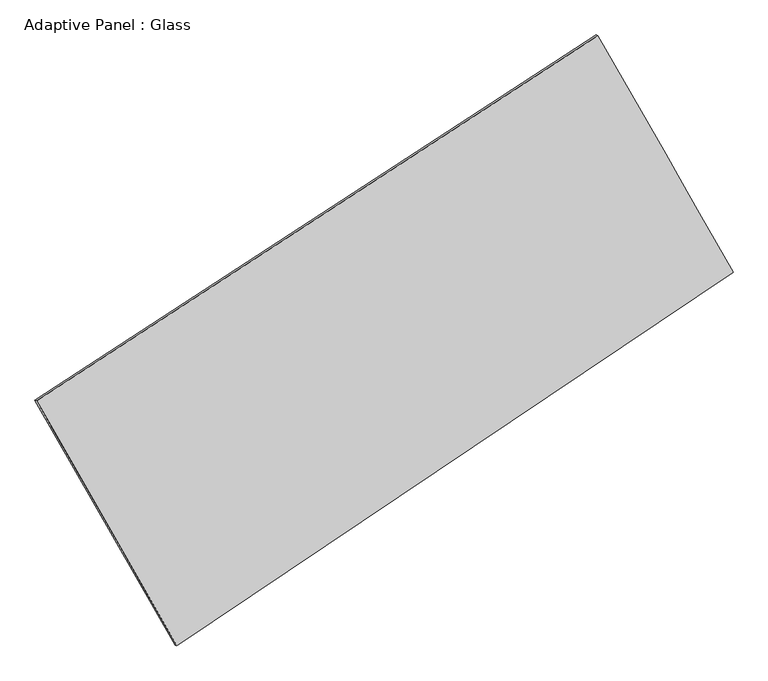
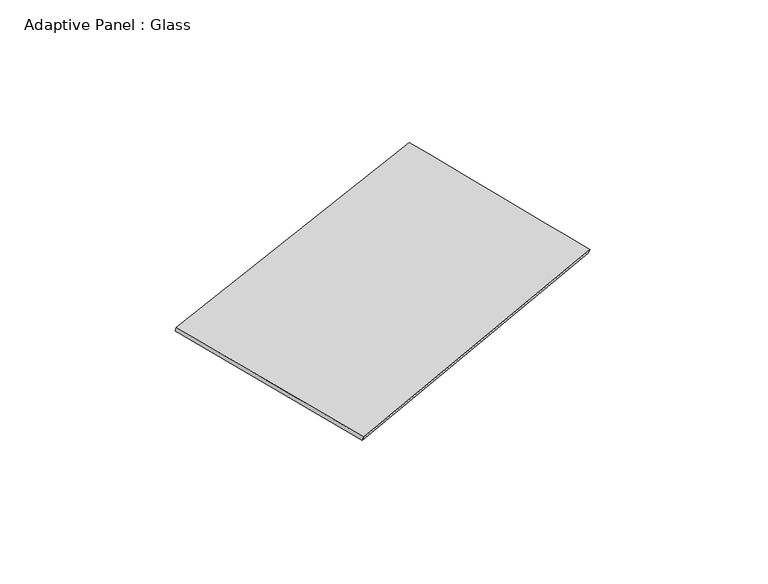
"""IFC4 building model written with IfcOpenShell, lengths in millimetres: plate geometry, Adaptive Panel : Glass."""

from ifc_helpers import new_model, si_unit, frame, origin, place, context, project, spatial, source, transform, mapped, element, save
from ifc_brep_helpers import plane_surface, spline_surface, advanced_brep


def adaptive_panel_glass_540404aa(model_context):
    return source(origin(), model_context, "Body", "AdvancedBrep", [
        advanced_brep(
        [(1178.7227628, 2516.8275938, 661.9465047), (-3670.0554368, -638.2944472, 1729.038825), (-3655.3890809, -644.6745407, 1776.411733), (1193.3891186, 2510.4475003, 709.3194127), (-2457.7888006, -2753.3261499, 1077.8585496), (-2443.1224448, -2759.7062434, 1125.2314576), (2345.8308965, 474.5444305, 16.278641), (2360.4972523, 468.164337, 63.651549)],
        [
            (0, 1),
            (1, 2),
            (2, 3),
            (3, 0),
            (1, 4),
            (4, 5),
            (5, 2),
            (4, 6),
            (6, 7),
            (7, 5),
            (6, 0),
            (3, 7),
        ],
        [
            plane_surface(frame((-1245.666337, 939.2665733, 1195.4926649), z_axis=(-0.48502725759741383, 0.8341698019371693, 0.2625058112187919), x_axis=(-0.8242678176524559, -0.5363548201462677, 0.18140030785068353))),
            plane_surface(frame((-3063.9221187, -1695.8102986, 1403.4486873), z_axis=(-0.8270983128164294, -0.5308898764923505, 0.1845652187551947), x_axis=(0.48043123024162243, -0.838204444989394, -0.2580680945187596))),
            plane_surface(frame((-55.9789521, -1139.3908597, 547.0685953), z_axis=(0.49674387337758663, -0.826421785652355, -0.26508971398567227), x_axis=(0.8163937568289799, 0.5485890965281035, -0.18041961362652267))),
            plane_surface(frame((1762.2768296, 1495.6860121, 339.1125728), z_axis=(0.8270484732109139, 0.5309769552004272, -0.18453806112989213), x_axis=(-0.4784697408789661, 0.8372580635653613, 0.26469915386717147))),
            spline_surface(1, 1, [[(-3655.3890809, -644.6745407, 1776.411733), (1193.3891186, 2510.4475003, 709.3194127)], [(-2443.1224448, -2759.7062434, 1125.2314576), (2360.4972523, 468.164337, 63.651549)]], [2, 2], [2, 2], [0.0, 1.0], [0.0, 1.0]),
            spline_surface(1, 1, [[(2345.8308965, 474.5444305, 16.278641), (1178.7227628, 2516.8275938, 661.9465047)], [(-2457.7888006, -2753.3261499, 1077.8585496), (-3670.0554368, -638.2944472, 1729.038825)]], [2, 2], [2, 2], [0.0, 1.0], [0.0, 1.0]),
        ],
        [
            (0, [[1, 2, 3, 4]]),
            (1, [[5, 6, 7, -2]]),
            (2, [[8, 9, 10, -6]]),
            (3, [[11, -4, 12, -9]]),
            (4, [[-3, -7, -10, -12]]),
            (5, [[-11, -8, -5, -1]]),
        ],
    ),
    ])


if __name__ == "__main__":
    model = new_model("IFC4")
    model_context = context("Model", 3, world=origin())
    ifc_project = project(units=[si_unit("LENGTHUNIT", "METRE", prefix="MILLI")], contexts=[model_context])
    site = spatial("IfcSite", under=ifc_project)
    building = spatial("IfcBuilding", under=site)
    placement = place(None, origin())
    adaptive_panel_glass_shape = adaptive_panel_glass_540404aa(model_context)
    element("IfcPlate", 1, ObjectType="Adaptive Panel : Glass", at=placement, inside=building, context=model_context, shape_type="MappedRepresentation", body=[
        mapped(adaptive_panel_glass_shape, transform((0.0, 0.0, 0.0), x_axis=(1.0, 0.0, 0.0), y_axis=(0.0, 1.0, 0.0), z_axis=(0.0, 0.0, 1.0))),
    ])
    save(model, "model.ifc")
